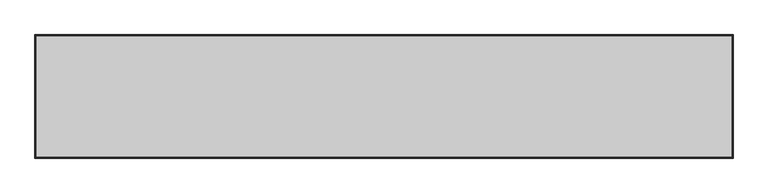
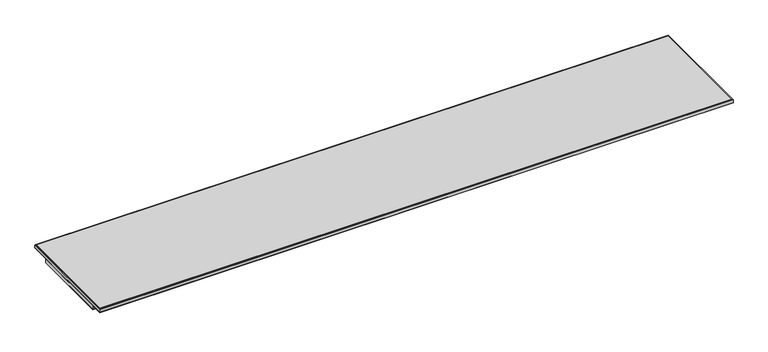
"""IFC4 building model written with IfcOpenShell, lengths in millimetres: furniture geometry."""

from ifc_helpers import new_model, si_unit, frame, origin, place, context, project, spatial, polyline, outline, extrude, faceted_brep, source, transform, mapped, element, save


def furniture_5945d129(model_context):
    return source(origin(), model_context, "Body", "SolidModel", [
        faceted_brep([(1828.2142073, 19.7166075, 1043.3885283), (1826.7934, 18.2958003, 1042.8000114), (2.0066, 18.2958003, 1042.8000114), (0.5857927, 19.7166075, 1043.3885283), (1828.8, 20.3024003, 1044.8027589), (0.0, 20.3024003, 1044.8027589), (1828.8, 20.3024003, 1054.8000057), (0.0, 20.3024003, 1054.8000057), (1826.7934, 18.2958003, 1054.8000057), (2.0066, 18.2958003, 1054.8000057), (2.0066, -212.5041983, 1042.8000114), (0.5857927, -213.9250056, 1043.3885283), (0.0, -214.5107983, 1044.8027589), (0.0, -214.5107983, 1054.8000057), (2.0066, -212.5041983, 1054.8000057), (1826.7934, -212.5041983, 1042.8000114), (1828.2142073, -213.9250056, 1043.3885283), (1828.8, -214.5107983, 1044.8027589), (1828.8, -214.5107983, 1054.8000057), (1826.7934, -212.5041983, 1054.8000057)], [[[0, 1, 2, 3]], [[4, 0, 3, 5]], [[6, 4, 5, 7]], [[1, 8, 9, 2]], [[3, 2, 10, 11]], [[5, 3, 11, 12]], [[7, 5, 12, 13]], [[2, 9, 14, 10]], [[11, 10, 15, 16]], [[12, 11, 16, 17]], [[13, 12, 17, 18]], [[10, 14, 19, 15]], [[16, 15, 1, 0]], [[17, 16, 0, 4]], [[18, 17, 4, 6]], [[7, 13, 18, 6], [8, 19, 14, 9]], [[15, 19, 8, 1]]]),
        extrude(outline(polyline([(1826.7934, 18.2958003), (1826.7934, -212.5041983), (2.0066, -212.5041983), (2.0066, 18.2958003), (1826.7934, 18.2958003)])), frame((0.0, 0.0, 1042.8000114), z_axis=(0.0, 0.0, 1.0), x_axis=(1.0, 0.0, 0.0)), (0.0, 0.0, 1.0), 11.9999943),
        faceted_brep([(1828.3082364, 73.7600281, 1055.3857985), (1826.8940059, 72.3457976, 1054.8000057), (1.7526, 72.3457976, 1054.8000057), (0.3383695, 73.7600281, 1055.3857985), (1828.8940291, 74.3458208, 1056.800029), (-0.2474233, 74.3458208, 1056.800029), (1828.8940291, 74.3458208, 1064.7999767), (-0.2474233, 74.3458208, 1064.7999767), (1828.3082364, 73.7600281, 1066.2142073), (0.3383695, 73.7600281, 1066.2142073), (1826.8940059, 72.3457976, 1066.8030114), (1.7526, 72.3457976, 1066.8030114), (1.7526, -247.5042058, 1054.8000057), (0.3383695, -248.9184364, 1055.3857985), (-0.2474233, -249.5042291, 1056.800029), (-0.2474233, -249.5042291, 1064.7999767), (0.3383695, -248.9184364, 1066.2142073), (1.7526, -247.5042058, 1066.8030114), (1826.8940059, -247.5042058, 1054.8000057), (1828.3082364, -248.9184364, 1055.3857985), (1828.8940291, -249.5042291, 1056.800029), (1828.8940291, -249.5042291, 1064.7999767), (1828.3082364, -248.9184364, 1066.2142073), (1826.8940059, -247.5042058, 1066.8030114)], [[[0, 1, 2, 3]], [[4, 0, 3, 5]], [[6, 4, 5, 7]], [[8, 6, 7, 9]], [[10, 8, 9, 11]], [[1, 10, 11, 2]], [[3, 2, 12, 13]], [[5, 3, 13, 14]], [[7, 5, 14, 15]], [[9, 7, 15, 16]], [[11, 9, 16, 17]], [[2, 11, 17, 12]], [[13, 12, 18, 19]], [[14, 13, 19, 20]], [[15, 14, 20, 21]], [[16, 15, 21, 22]], [[17, 16, 22, 23]], [[12, 17, 23, 18]], [[19, 18, 1, 0]], [[20, 19, 0, 4]], [[21, 20, 4, 6]], [[22, 21, 6, 8]], [[23, 22, 8, 10]], [[18, 23, 10, 1]]]),
        extrude(outline(polyline([(1826.8940059, 72.3457976), (1826.8940059, -247.5042058), (1.7526, -247.5042058), (1.7526, 72.3457976), (1826.8940059, 72.3457976)])), frame((0.0, 0.0, 1054.8000057), z_axis=(0.0, 0.0, 1.0), x_axis=(1.0, 0.0, 0.0)), (0.0, 0.0, 1.0), 12.0030057),
    ])


if __name__ == "__main__":
    model = new_model("IFC4")
    model_context = context("Model", 3, world=origin())
    ifc_project = project(units=[si_unit("LENGTHUNIT", "METRE", prefix="MILLI")], contexts=[model_context])
    site = spatial("IfcSite", under=ifc_project)
    building = spatial("IfcBuilding", under=site)
    placement = place(None, origin())
    furniture_shape = furniture_5945d129(model_context)
    element("IfcFurniture", 1, at=placement, inside=building, context=model_context, shape_type="MappedRepresentation", body=[
        mapped(furniture_shape, transform((0.0, 0.0, 0.0), x_axis=(1.0, 0.0, 0.0), y_axis=(0.0, 1.0, 0.0), z_axis=(0.0, 0.0, 1.0))),
    ])
    save(model, "model.ifc")
